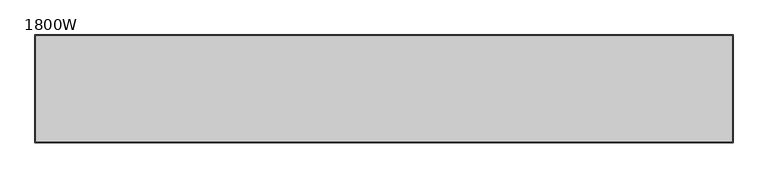
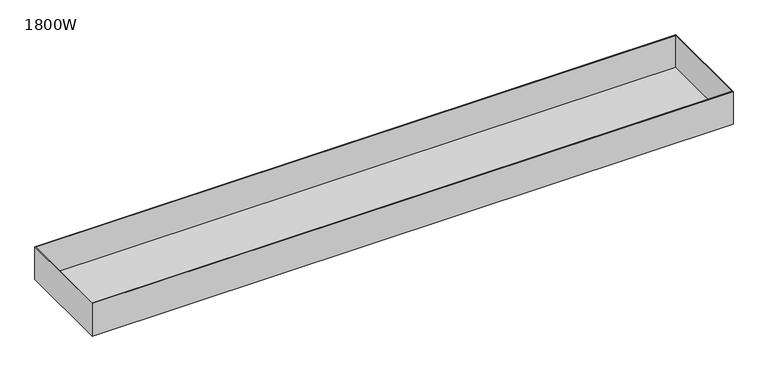
"""IFC4 building model written with IfcOpenShell, lengths in millimetres: furniture geometry, 1800W."""

from ifc_helpers import new_model, si_unit, origin, place, context, project, spatial, faceted_brep, source, transform, mapped, element, save


def furniture_1800w_5ac5fbc1(model_context):
    return source(origin(), model_context, "Body", "Brep", [
        faceted_brep([(-810.0, 125.0, 435.0), (-810.0, -125.0, 435.0), (-810.0, -125.0, 522.0), (-810.0, 125.0, 522.0), (810.0, 125.0, 435.0), (810.0, 125.0, 522.0), (810.0, -125.0, 522.0), (810.0, -125.0, 435.0), (-808.0, -123.0, 522.0), (-808.0, 123.0, 522.0), (808.0, 123.0, 522.0), (808.0, -123.0, 522.0), (808.0, -123.0, 437.0), (808.0, 123.0, 437.0), (-808.0, 123.0, 437.0), (-808.0, -123.0, 437.0)], [[[0, 1, 2, 3]], [[4, 5, 6, 7]], [[3, 5, 4, 0]], [[2, 6, 5, 3], [8, 9, 10, 11]], [[1, 7, 6, 2]], [[0, 4, 7, 1]], [[12, 13, 14, 15]], [[15, 8, 11, 12]], [[14, 9, 8, 15]], [[13, 10, 9, 14]], [[12, 11, 10, 13]]]),
    ])


if __name__ == "__main__":
    model = new_model("IFC4")
    model_context = context("Model", 3, world=origin())
    ifc_project = project(units=[si_unit("LENGTHUNIT", "METRE", prefix="MILLI")], contexts=[model_context])
    site = spatial("IfcSite", under=ifc_project)
    building = spatial("IfcBuilding", under=site)
    placement = place(None, origin())
    furniture_1800w_shape = furniture_1800w_5ac5fbc1(model_context)
    element("IfcFurniture", 1, ObjectType="1800W", at=placement, inside=building, context=model_context, shape_type="MappedRepresentation", body=[
        mapped(furniture_1800w_shape, transform((0.0, 0.0, 0.0), x_axis=(1.0, 0.0, 0.0), y_axis=(0.0, 1.0, 0.0), z_axis=(0.0, 0.0, 1.0))),
    ])
    save(model, "model.ifc")
